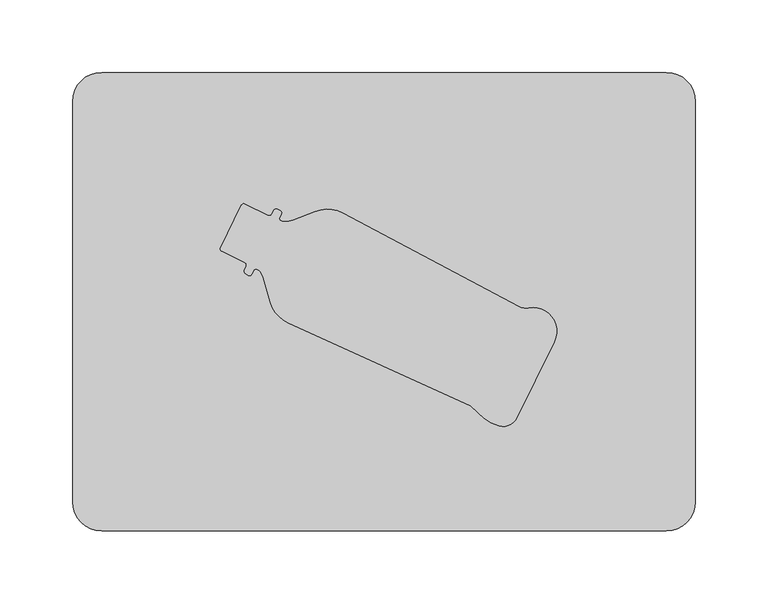
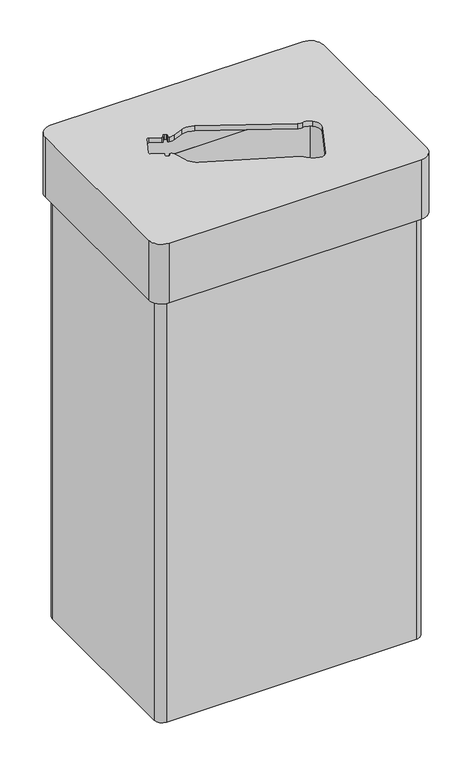
"""IFC4 building model written with IfcOpenShell, lengths in millimetres: furniture geometry."""

import ifcopenshell
import ifcopenshell.guid

model = None  # the IFC model being written
_history = None  # IfcOwnerHistory: only IFC2X3 demands one
_inside = {}  # id of a spatial element -> (the spatial element, [elements in it])
_under = {}  # id of a project, library or spatial element -> (it, [spatial elements below it])
_declared = {}  # id of a project -> (the project, [libraries it declares])
_typed = {}  # id of a type object -> (the type object, [elements of that type])
_made_of = {}  # id of a material, layer set ... -> (it, [elements and type objects made of it])


def new_model(schema):
    """Start an empty IFC model of exactly this schema.

    Asked for "IFC4X3", IfcOpenShell would pick the latest addendum, in which some entities
    have other attributes; the version numbers below select the first issue.
    IFC2X3 requires an IfcOwnerHistory on every rooted entity: one is made here for all.
    """
    global model, _history
    if schema == "IFC4X3":
        model = ifcopenshell.file(schema_version=(4, 3, 0, 0))
    else:
        model = ifcopenshell.file(schema=schema)
    _inside.clear()
    _under.clear()
    _declared.clear()
    _typed.clear()
    _made_of.clear()
    _history = None
    if model.schema == "IFC2X3":
        org = make("IfcOrganization", Name="unknown")
        user = make(
            "IfcPersonAndOrganization",
            ThePerson=make("IfcPerson", FamilyName="unknown"),
            TheOrganization=org,
        )
        app = make(
            "IfcApplication",
            ApplicationDeveloper=org,
            Version="unknown",
            ApplicationFullName="unknown",
            ApplicationIdentifier="unknown",
        )
        _history = make(
            "IfcOwnerHistory",
            OwningUser=user,
            OwningApplication=app,
            ChangeAction="ADDED",
            CreationDate=0,
        )
    return model


def make(cls, **values):
    """One entity of the class cls with the attributes given. An attribute that is None is left unset."""
    return model.create_entity(
        cls, **{name: value for name, value in values.items() if value is not None}
    )


def rooted(cls, **values):
    """An entity with a GlobalId (a new one), such as an element, a storey or a relation."""
    return make(cls, GlobalId=ifcopenshell.guid.new(), OwnerHistory=_history, **values)


def si_unit(unit_type, name, prefix=None):
    """IfcSIUnit, for example si_unit("LENGTHUNIT", "METRE", prefix="MILLI")."""
    return make("IfcSIUnit", UnitType=unit_type, Prefix=prefix, Name=name)


def assignment(units):
    """IfcUnitAssignment: the units of a project."""
    return None if units is None else make("IfcUnitAssignment", Units=units)


def point(xyz):
    """IfcCartesianPoint."""
    return None if xyz is None else make("IfcCartesianPoint", Coordinates=xyz)


def direction(xyz):
    """IfcDirection."""
    return None if xyz is None else make("IfcDirection", DirectionRatios=xyz)


def frame(location, z_axis=None, x_axis=None):
    """IfcAxis2Placement3D, a coordinate frame: its origin and axes. An axis left out is left unset."""
    return make(
        "IfcAxis2Placement3D",
        Location=point(location),
        Axis=direction(z_axis),
        RefDirection=direction(x_axis),
    )


def origin():
    """The frame at (0, 0, 0) with its axes left unset."""
    return frame((0.0, 0.0, 0.0))


def place(relative_to, where):
    """IfcLocalPlacement: puts the frame where relative to a parent placement (None: the world)."""
    return make(
        "IfcLocalPlacement", PlacementRelTo=relative_to, RelativePlacement=where
    )


def context(
    kind, dimensions, precision=None, world=None, true_north=None, identifier=None
):
    """IfcGeometricRepresentationContext, for example the 3D "Model" context."""
    return make(
        "IfcGeometricRepresentationContext",
        ContextIdentifier=identifier,
        ContextType=kind,
        CoordinateSpaceDimension=dimensions,
        Precision=precision,
        WorldCoordinateSystem=world,
        TrueNorth=true_north,
    )


def project(units=None, contexts=None):
    """IfcProject with its units and contexts."""
    return rooted(
        "IfcProject",
        Name="project",
        RepresentationContexts=contexts,
        UnitsInContext=assignment(units),
    )


def spatial(cls, under=None, at=None, **own):
    """A site, building, storey or space (cls), placed at a placement, below another one or the project."""
    s = rooted(cls, ObjectPlacement=at, **own)
    if under is not None:
        _under.setdefault(under.id(), (under, []))[1].append(s)
    return s


def polyline(points):
    """IfcPolyline through the points."""
    return make("IfcPolyline", Points=[point(p) for p in points])


def circle_curve(where, radius):
    """IfcCircle in the frame where."""
    return make("IfcCircle", Position=where, Radius=radius)


def shape(context_of_items, identifier, shape_type, items):
    """IfcShapeRepresentation: the items that make up one representation, for example the "Body"."""
    return make(
        "IfcShapeRepresentation",
        ContextOfItems=context_of_items,
        RepresentationIdentifier=identifier,
        RepresentationType=shape_type,
        Items=items,
    )


def source(mapping_origin, context_of_items, identifier, shape_type, items):
    """IfcRepresentationMap: a shape defined once, which mapped items show again and again."""
    return make(
        "IfcRepresentationMap",
        MappingOrigin=mapping_origin,
        MappedRepresentation=shape(context_of_items, identifier, shape_type, items),
    )


def transform(
    local_origin,
    x_axis=None,
    y_axis=None,
    z_axis=None,
    scale=None,
    scale2=None,
    scale3=None,
    uniform=True,
):
    """IfcCartesianTransformationOperator3D, or its non-uniform kind. x_axis, y_axis, z_axis: its Axis1, 2, 3."""
    if uniform:
        return make(
            "IfcCartesianTransformationOperator3D",
            Axis1=direction(x_axis),
            Axis2=direction(y_axis),
            LocalOrigin=point(local_origin),
            Scale=scale,
            Axis3=direction(z_axis),
        )
    return make(
        "IfcCartesianTransformationOperator3DnonUniform",
        Axis1=direction(x_axis),
        Axis2=direction(y_axis),
        LocalOrigin=point(local_origin),
        Scale=scale,
        Axis3=direction(z_axis),
        Scale2=scale2,
        Scale3=scale3,
    )


def mapped(mapping_source, mapping_target):
    """IfcMappedItem: shows the shape of a source again, moved by a transform."""
    return make(
        "IfcMappedItem", MappingSource=mapping_source, MappingTarget=mapping_target
    )


def made_of(thing, what):
    """Note that an element or type object is made of a material, layer set ...; save() writes the relation."""
    if what is not None:
        _made_of.setdefault(what.id(), (what, []))[1].append(thing)
    return thing


def element(
    cls,
    number,
    at=None,
    inside=None,
    cuts=None,
    type_object=None,
    material=None,
    context=None,
    identifier="Body",
    shape_type=None,
    held_by="IfcProductDefinitionShape",
    body=None,
    shapes=None,
    **own,
):
    """One element of the class cls, such as IfcWall. Its Tag is "e" and its number.

    at: its placement. inside: the storey or other place that contains it. cuts: it is an
    opening in that element (IfcRelVoidsElement). A single representation is given by context,
    identifier, shape_type and body (its items); several are given by shapes. held_by: the class
    of the entity that holds the representations. save() writes the other relations.
    """
    e = rooted(cls, Tag="e%d" % number, ObjectPlacement=at, **own)
    if body is not None:
        shapes = [shape(context, identifier, shape_type, body)]
    if shapes is not None:
        e.Representation = make(held_by, Representations=shapes)
    if inside is not None:
        _inside.setdefault(inside.id(), (inside, []))[1].append(e)
    if cuts is not None:
        rooted(
            "IfcRelVoidsElement", RelatingBuildingElement=cuts, RelatedOpeningElement=e
        )
    if type_object is not None:
        _typed.setdefault(type_object.id(), (type_object, []))[1].append(e)
    return made_of(e, material)


def aggregate(whole, parts):
    """IfcRelAggregates: a whole, such as a stair, and the parts it consists of."""
    return rooted("IfcRelAggregates", RelatingObject=whole, RelatedObjects=parts)


def save(model, path):
    """Write the relations noted so far, then the file.

    IfcRelAggregates (storeys below a building ...), IfcRelContainedInSpatialStructure (elements
    in a storey), IfcRelDefinesByType, IfcRelAssociatesMaterial and IfcRelDeclares: one each for
    every whole, place, type object, material and project.
    """
    for whole, parts in _under.values():
        aggregate(whole, parts)
    for where, things in _inside.values():
        rooted(
            "IfcRelContainedInSpatialStructure",
            RelatedElements=things,
            RelatingStructure=where,
        )
    for kind, things in _typed.values():
        rooted("IfcRelDefinesByType", RelatedObjects=things, RelatingType=kind)
    for what, things in _made_of.values():
        rooted("IfcRelAssociatesMaterial", RelatedObjects=things, RelatingMaterial=what)
    for by, libraries in _declared.values():
        rooted("IfcRelDeclares", RelatingContext=by, RelatedDefinitions=libraries)
    model.write(path)


def plane_surface(at):
    """IfcPlane: the flat surface through the origin of the frame at, square to its z axis."""
    return make("IfcPlane", Position=at)


def cylinder_surface(at, radius):
    """IfcCylindricalSurface: all points at the distance radius from the z axis of the frame at."""
    return make("IfcCylindricalSurface", Position=at, Radius=radius)


def revolved_surface(curve, axis_point, axis_direction):
    """IfcSurfaceOfRevolution: the curve turned about the line through axis_point along axis_direction."""
    return make(
        "IfcSurfaceOfRevolution",
        SweptCurve=make("IfcArbitraryOpenProfileDef", ProfileType="CURVE", Curve=curve),
        AxisPosition=make("IfcAxis1Placement", Location=point(axis_point), Axis=direction(axis_direction)),
    )


def advanced_brep(points, edges, surfaces, faces):
    """IfcAdvancedBrep: a solid bounded by faces that lie on surfaces and meet in shared edges.

    An edge is (start, end): straight between two places in points (the first is 0);
    or (start, end, curve); or (start, end, curve, False) where it runs against its curve.
    A face is (place in surfaces, loops), or (place, loops, False) where it looks against
    its surface's normal. A loop lists edges by number (the first is 1), with a minus sign
    where the edge is run from its end to its start. The first loop is the outer one.
    """
    corners = [point(p) for p in points]
    vertices = [make("IfcVertexPoint", VertexGeometry=c) for c in corners]
    made = []
    for start, end, *more in edges:
        made.append(
            make(
                "IfcEdgeCurve",
                EdgeStart=vertices[start],
                EdgeEnd=vertices[end],
                EdgeGeometry=more[0] if more else make("IfcPolyline", Points=[corners[start], corners[end]]),
                SameSense=more[1] if len(more) > 1 else True,
            )
        )
    hull = []
    for where, loops, *sense in faces:
        bounds = []
        for j, loop in enumerate(loops):
            ring = [make("IfcOrientedEdge", EdgeElement=made[abs(k) - 1], Orientation=k > 0) for k in loop]
            bounds.append(
                make(
                    "IfcFaceOuterBound" if j == 0 else "IfcFaceBound",
                    Bound=make("IfcEdgeLoop", EdgeList=ring),
                    Orientation=True,
                )
            )
        hull.append(make("IfcAdvancedFace", Bounds=bounds, FaceSurface=surfaces[where], SameSense=sense[0] if sense else True))
    return make("IfcAdvancedBrep", Outer=make("IfcClosedShell", CfsFaces=hull))


def furniture_c6f2f1a7(model_context):
    return source(origin(), model_context, "Body", "AdvancedBrep", [
        advanced_brep(
        [(192.5, 148.0, 689.0), (-192.5, 148.0, 689.0), (-204.5, 136.0, 689.0), (-204.5, -136.0, 689.0), (-192.5, -148.0, 689.0), (192.5, -148.0, 689.0), (204.5, -136.0, 689.0), (204.5, 136.0, 689.0), (194.5, 138.0, 689.0), (194.5, -138.0, 689.0), (-194.5, -138.0, 689.0), (-194.5, 138.0, 689.0), (192.5, 148.0, 0.0), (204.5, 136.0, 0.0), (204.5, -136.0, 0.0), (192.5, -148.0, 0.0), (-192.5, -148.0, 0.0), (-204.5, -136.0, 0.0), (-204.5, 136.0, 0.0), (-192.5, 148.0, 0.0), (194.5, 138.0, 8.0), (194.5, -138.0, 8.0), (-194.5, -138.0, 8.0), (-194.5, 138.0, 8.0)],
        [
            (0, 1),
            (1, 2, circle_curve(frame((-192.5, 136.0, 689.0), z_axis=(0.0, 0.0, 1.0), x_axis=(1.0, 0.0, 0.0)), 12.0)),
            (2, 3),
            (3, 4, circle_curve(frame((-192.5, -136.0, 689.0), z_axis=(0.0, 0.0, 1.0), x_axis=(1.0, 0.0, 0.0)), 12.0)),
            (4, 5),
            (5, 6, circle_curve(frame((192.5, -136.0, 689.0), z_axis=(0.0, 0.0, 1.0), x_axis=(1.0, 0.0, 0.0)), 12.0)),
            (6, 7),
            (7, 0, circle_curve(frame((192.5, 136.0, 689.0), z_axis=(0.0, 0.0, 1.0), x_axis=(1.0, 0.0, 0.0)), 12.0)),
            (8, 9),
            (9, 10),
            (10, 11),
            (11, 8),
            (12, 13, circle_curve(frame((192.5, 136.0, 0.0), z_axis=(0.0, 0.0, -1.0), x_axis=(1.0, 0.0, 0.0)), 12.0)),
            (13, 14),
            (14, 15, circle_curve(frame((192.5, -136.0, 0.0), z_axis=(0.0, 0.0, -1.0), x_axis=(1.0, 0.0, 0.0)), 12.0)),
            (15, 16),
            (16, 17, circle_curve(frame((-192.5, -136.0, 0.0), z_axis=(0.0, 0.0, -1.0), x_axis=(1.0, 0.0, 0.0)), 12.0)),
            (17, 18),
            (18, 19, circle_curve(frame((-192.5, 136.0, 0.0), z_axis=(0.0, 0.0, -1.0), x_axis=(1.0, 0.0, 0.0)), 12.0)),
            (19, 12),
            (8, 20),
            (20, 21),
            (21, 9),
            (21, 22),
            (22, 10),
            (22, 23),
            (23, 11),
            (23, 20),
            (0, 12),
            (19, 1),
            (18, 2),
            (17, 3),
            (16, 4),
            (15, 5),
            (14, 6),
            (13, 7),
        ],
        [
            plane_surface(frame((194.5, 138.0, 689.0), z_axis=(0.0, 0.0, 1.0), x_axis=(0.0, -1.0, 0.0))),
            plane_surface(frame((194.5, 138.0, 0.0), z_axis=(0.0, 0.0, -1.0), x_axis=(0.0, 1.0, 0.0))),
            plane_surface(frame((194.5, 138.0, 689.0), z_axis=(-1.0, 0.0, 0.0), x_axis=(0.0, 0.0, -1.0))),
            plane_surface(frame((194.5, -138.0, 689.0), z_axis=(0.0, 1.0, 0.0), x_axis=(0.0, 0.0, -1.0))),
            plane_surface(frame((-194.5, -138.0, 689.0), z_axis=(1.0, 0.0, 0.0), x_axis=(0.0, 0.0, -1.0))),
            plane_surface(frame((-194.5, 138.0, 689.0), z_axis=(0.0, -1.0, 0.0), x_axis=(0.0, 0.0, -1.0))),
            plane_surface(frame((192.5, 148.0, 689.0), z_axis=(0.0, 1.0, 0.0), x_axis=(0.0, 0.0, -1.0))),
            cylinder_surface(frame((-192.5, 136.0, 0.0), z_axis=(0.0, 0.0, 1.0), x_axis=(1.0, 0.0, 0.0)), 12.0),
            plane_surface(frame((-204.5, 136.0, 689.0), z_axis=(-1.0, 0.0, 0.0), x_axis=(0.0, 0.0, -1.0))),
            cylinder_surface(frame((-192.5, -136.0, 0.0), z_axis=(0.0, 0.0, 1.0), x_axis=(1.0, 0.0, 0.0)), 12.0),
            plane_surface(frame((-192.5, -148.0, 689.0), z_axis=(0.0, -1.0, 0.0), x_axis=(0.0, 0.0, -1.0))),
            cylinder_surface(frame((192.5, -136.0, 0.0), z_axis=(0.0, 0.0, 1.0), x_axis=(1.0, 0.0, 0.0)), 12.0),
            plane_surface(frame((204.5, -136.0, 689.0), z_axis=(1.0, 0.0, 0.0), x_axis=(0.0, 0.0, -1.0))),
            cylinder_surface(frame((192.5, 136.0, 0.0), z_axis=(0.0, 0.0, 1.0), x_axis=(1.0, 0.0, 0.0)), 12.0),
            plane_surface(frame((-194.5, 138.0, 8.0), z_axis=(0.0, 0.0, 1.0), x_axis=(-1.0, 0.0, 0.0))),
        ],
        [
            (0, [[1, 2, 3, 4, 5, 6, 7, 8], [9, 10, 11, 12]]),
            (1, [[13, 14, 15, 16, 17, 18, 19, 20]]),
            (2, [[-9, 21, 22, 23]]),
            (3, [[-10, -23, 24, 25]]),
            (4, [[-11, -25, 26, 27]]),
            (5, [[-12, -27, 28, -21]]),
            (6, [[-1, 29, -20, 30]]),
            (7, [[-2, -30, -19, 31]]),
            (8, [[-3, -31, -18, 32]]),
            (9, [[-4, -32, -17, 33]]),
            (10, [[-5, -33, -16, 34]]),
            (11, [[-6, -34, -15, 35]]),
            (12, [[-7, -35, -14, 36]]),
            (13, [[-8, -36, -13, -29]]),
            (14, [[-22, -28, -26, -24]]),
        ],
    ),
        advanced_brep(
        [(194.5, 158.0, 786.0), (-194.5, 158.0, 786.0), (-214.5, 138.0, 786.0), (-214.5, -138.0, 786.0), (-194.5, -158.0, 786.0), (194.5, -158.0, 786.0), (214.5, -138.0, 786.0), (214.5, 138.0, 786.0), (59.5843107, -71.6563973, 786.0), (-65.8931473, -14.6079938, 786.0), (-78.2521723, -0.2895037, 786.0), (-83.1803377, 16.6169973, 786.0), (-87.0044495, 22.1215762, 786.0), (-89.8301065, 21.5731394, 786.0), (-91.1059775, 18.9830206, 786.0), (-93.8036148, 18.3302183, 786.0), (-95.4113824, 19.5228809, 786.0), (-96.2339096, 21.9424259, 786.0), (-94.9243949, 24.6008441, 786.0), (-95.7469221, 27.020389, 786.0), (-111.7313977, 34.8942089, 786.0), (-112.5539249, 37.3137539, 786.0), (-98.1807647, 66.4924032, 786.0), (-95.7612197, 67.3149304, 786.0), (-79.776744, 59.4411105, 786.0), (-77.3571991, 60.2636377, 786.0), (-76.0476844, 62.9220559, 786.0), (-73.6281394, 63.744583, 786.0), (-71.5704661, 62.7309902, 786.0), (-70.7479389, 60.3114453, 786.0), (-71.8519965, 58.0701212, 786.0), (-70.5646552, 55.4956556, 786.0), (-62.5959675, 56.2532835, 786.0), (-47.4626798, 62.2155953, 786.0), (-28.5783978, 61.1438919, 786.0), (92.6808897, -3.330815, 786.0), (99.7648604, -4.4150109, 786.0), (113.5191292, -8.209037, 786.0), (117.3449783, -27.5875375, 786.0), (91.5026253, -80.049553, 786.0), (79.4158996, -85.5472068, 786.0), (64.8157204, -76.6560157, 786.0), (194.5, 138.0, 778.0), (194.5, -138.0, 778.0), (-194.5, -138.0, 778.0), (-194.5, 138.0, 778.0), (59.5843107, -71.6563973, 778.0), (64.8157204, -76.6560157, 778.0), (79.4158996, -85.5472068, 778.0), (91.5026253, -80.049553, 778.0), (117.3449783, -27.5875375, 778.0), (113.5191292, -8.209037, 778.0), (99.7648604, -4.4150109, 778.0), (92.6808897, -3.330815, 778.0), (-28.5783978, 61.1438919, 778.0), (-47.4626798, 62.2155953, 778.0), (-62.5959675, 56.2532835, 778.0), (-70.5646552, 55.4956556, 778.0), (-71.8519965, 58.0701212, 778.0), (-70.7479389, 60.3114453, 778.0), (-71.5704661, 62.7309902, 778.0), (-73.6281394, 63.744583, 778.0), (-76.0476844, 62.9220559, 778.0), (-77.3571991, 60.2636377, 778.0), (-79.776744, 59.4411105, 778.0), (-95.7612197, 67.3149304, 778.0), (-98.1807647, 66.4924032, 778.0), (-112.5539249, 37.3137539, 778.0), (-111.7313977, 34.8942089, 778.0), (-95.7469221, 27.020389, 778.0), (-94.9243949, 24.6008441, 778.0), (-96.2339096, 21.9424259, 778.0), (-95.4113824, 19.5228809, 778.0), (-93.8036148, 18.3302183, 778.0), (-91.1059775, 18.9830206, 778.0), (-89.8301065, 21.5731394, 778.0), (-87.0044495, 22.1215762, 778.0), (-83.1803377, 16.6169973, 778.0), (-78.2521723, -0.2895037, 778.0), (-65.8931473, -14.6079938, 778.0), (194.5, 158.0, 689.0), (214.5, 138.0, 689.0), (214.5, -138.0, 689.0), (194.5, -158.0, 689.0), (-194.5, -158.0, 689.0), (-214.5, -138.0, 689.0), (-214.5, 138.0, 689.0), (-194.5, 158.0, 689.0), (194.5, 138.0, 689.0), (-194.5, 138.0, 689.0), (-194.5, -138.0, 689.0), (194.5, -138.0, 689.0)],
        [
            (0, 1),
            (1, 2, circle_curve(frame((-194.5, 138.0, 786.0), z_axis=(0.0, 0.0, 1.0), x_axis=(1.0, 0.0, 0.0)), 20.0)),
            (2, 3),
            (3, 4, circle_curve(frame((-194.5, -138.0, 786.0), z_axis=(0.0, 0.0, 1.0), x_axis=(1.0, 0.0, 0.0)), 20.0)),
            (4, 5),
            (5, 6, circle_curve(frame((194.5, -138.0, 786.0), z_axis=(0.0, 0.0, 1.0), x_axis=(1.0, 0.0, 0.0)), 20.0)),
            (6, 7),
            (7, 0, circle_curve(frame((194.5, 138.0, 786.0), z_axis=(0.0, 0.0, 1.0), x_axis=(1.0, 0.0, 0.0)), 20.0)),
            (8, 9),
            (9, 10, circle_curve(frame((-56.5444017, 5.9544893, 786.0), z_axis=(0.0, 0.0, -1.0), x_axis=(1.0, 0.0, 0.0)), 22.5879338)),
            (10, 11),
            (11, 12, circle_curve(frame((-93.398379, 13.5989968, 786.0), z_axis=(0.0, 0.0, 1.0), x_axis=(1.0, 0.0, 0.0)), 10.6544214)),
            (12, 13, circle_curve(frame((-88.1691769, 20.5690908, 786.0), z_axis=(0.0, 0.0, 1.0), x_axis=(1.0, 0.0, 0.0)), 1.9408247)),
            (13, 14),
            (14, 15, circle_curve(frame((-92.7270136, 19.7815295, 786.0), z_axis=(0.0, 0.0, -1.0), x_axis=(1.0, 0.0, 0.0)), 1.8070347)),
            (15, 16),
            (16, 17, circle_curve(frame((-94.0726412, 21.3275696, 786.0), z_axis=(0.0, 0.0, -1.0), x_axis=(1.0, 0.0, 0.0)), 2.2470268)),
            (17, 18),
            (18, 19, circle_curve(frame((-96.545431, 25.399353, 786.0), z_axis=(0.0, 0.0, 1.0), x_axis=(1.0, 0.0, 0.0)), 1.8070347)),
            (19, 20),
            (20, 21, circle_curve(frame((-110.9328888, 36.515245, 786.0), z_axis=(0.0, 0.0, -1.0), x_axis=(1.0, 0.0, 0.0)), 1.8070347)),
            (21, 22),
            (22, 23, circle_curve(frame((-96.5597286, 65.6938943, 786.0), z_axis=(0.0, 0.0, -1.0), x_axis=(1.0, 0.0, 0.0)), 1.8070347)),
            (23, 24),
            (24, 25, circle_curve(frame((-78.9782351, 61.0621466, 786.0), z_axis=(0.0, 0.0, 1.0), x_axis=(1.0, 0.0, 0.0)), 1.8070347)),
            (25, 26),
            (26, 27, circle_curve(frame((-74.4266483, 62.1235469, 786.0), z_axis=(0.0, 0.0, -1.0), x_axis=(1.0, 0.0, 0.0)), 1.8070347)),
            (27, 28),
            (28, 29, circle_curve(frame((-72.368975, 61.1099542, 786.0), z_axis=(0.0, 0.0, -1.0), x_axis=(1.0, 0.0, 0.0)), 1.8070347)),
            (29, 30),
            (30, 31, circle_curve(frame((-70.2309604, 57.2716123, 786.0), z_axis=(0.0, 0.0, 1.0), x_axis=(1.0, 0.0, 0.0)), 1.8070347)),
            (31, 32, circle_curve(frame((-67.8950968, 69.7033092, 786.0), z_axis=(0.0, 0.0, 1.0), x_axis=(1.0, 0.0, 0.0)), 14.4562776)),
            (32, 33),
            (33, 34, circle_curve(frame((-39.1827904, 41.1999301, 786.0), z_axis=(0.0, 0.0, -1.0), x_axis=(1.0, 0.0, 0.0)), 22.5879338)),
            (34, 35),
            (35, 36, circle_curve(frame((97.7709982, 6.2422867, 786.0), z_axis=(0.0, 0.0, 1.0), x_axis=(1.0, 0.0, 0.0)), 10.8422082)),
            (36, 37, circle_curve(frame((102.7556536, -20.4009574, 786.0), z_axis=(0.0, 0.0, -1.0), x_axis=(1.0, 0.0, 0.0)), 16.2633123)),
            (37, 38, circle_curve(frame((102.7556536, -20.4009574, 786.0), z_axis=(0.0, 0.0, -1.0), x_axis=(1.0, 0.0, 0.0)), 16.2633123)),
            (38, 39),
            (39, 40, circle_curve(frame((82.0352719, -75.2706533, 786.0), z_axis=(0.0, 0.0, -1.0), x_axis=(1.0, 0.0, 0.0)), 10.6051244)),
            (40, 41, circle_curve(frame((86.6195994, -57.2850133, 786.0), z_axis=(0.0, 0.0, -1.0), x_axis=(1.0, 0.0, 0.0)), 29.1658169)),
            (41, 8, circle_curve(frame((31.6593098, -106.1128343, 786.0), z_axis=(0.0, 0.0, 1.0), x_axis=(1.0, 0.0, 0.0)), 44.3514569)),
            (42, 43),
            (43, 44),
            (44, 45),
            (45, 42),
            (46, 47, circle_curve(frame((31.6593098, -106.1128343, 778.0), z_axis=(0.0, 0.0, -1.0), x_axis=(1.0, 0.0, 0.0)), 44.3514569)),
            (47, 48, circle_curve(frame((86.6195994, -57.2850133, 778.0), z_axis=(0.0, 0.0, 1.0), x_axis=(1.0, 0.0, 0.0)), 29.1658169)),
            (48, 49, circle_curve(frame((82.0352719, -75.2706533, 778.0), z_axis=(0.0, 0.0, 1.0), x_axis=(1.0, 0.0, 0.0)), 10.6051244)),
            (49, 50),
            (50, 51, circle_curve(frame((102.7556536, -20.4009574, 778.0), z_axis=(0.0, 0.0, 1.0), x_axis=(1.0, 0.0, 0.0)), 16.2633123)),
            (51, 52, circle_curve(frame((102.7556536, -20.4009574, 778.0), z_axis=(0.0, 0.0, 1.0), x_axis=(1.0, 0.0, 0.0)), 16.2633123)),
            (52, 53, circle_curve(frame((97.7709982, 6.2422867, 778.0), z_axis=(0.0, 0.0, -1.0), x_axis=(1.0, 0.0, 0.0)), 10.8422082)),
            (53, 54),
            (54, 55, circle_curve(frame((-39.1827904, 41.1999301, 778.0), z_axis=(0.0, 0.0, 1.0), x_axis=(1.0, 0.0, 0.0)), 22.5879338)),
            (55, 56),
            (56, 57, circle_curve(frame((-67.8950968, 69.7033092, 778.0), z_axis=(0.0, 0.0, -1.0), x_axis=(1.0, 0.0, 0.0)), 14.4562776)),
            (57, 58, circle_curve(frame((-70.2309604, 57.2716123, 778.0), z_axis=(0.0, 0.0, -1.0), x_axis=(1.0, 0.0, 0.0)), 1.8070347)),
            (58, 59),
            (59, 60, circle_curve(frame((-72.368975, 61.1099542, 778.0), z_axis=(0.0, 0.0, 1.0), x_axis=(1.0, 0.0, 0.0)), 1.8070347)),
            (60, 61),
            (61, 62, circle_curve(frame((-74.4266483, 62.1235469, 778.0), z_axis=(0.0, 0.0, 1.0), x_axis=(1.0, 0.0, 0.0)), 1.8070347)),
            (62, 63),
            (63, 64, circle_curve(frame((-78.9782351, 61.0621466, 778.0), z_axis=(0.0, 0.0, -1.0), x_axis=(1.0, 0.0, 0.0)), 1.8070347)),
            (64, 65),
            (65, 66, circle_curve(frame((-96.5597286, 65.6938943, 778.0), z_axis=(0.0, 0.0, 1.0), x_axis=(1.0, 0.0, 0.0)), 1.8070347)),
            (66, 67),
            (67, 68, circle_curve(frame((-110.9328888, 36.515245, 778.0), z_axis=(0.0, 0.0, 1.0), x_axis=(1.0, 0.0, 0.0)), 1.8070347)),
            (68, 69),
            (69, 70, circle_curve(frame((-96.545431, 25.399353, 778.0), z_axis=(0.0, 0.0, -1.0), x_axis=(1.0, 0.0, 0.0)), 1.8070347)),
            (70, 71),
            (71, 72, circle_curve(frame((-94.0726412, 21.3275696, 778.0), z_axis=(0.0, 0.0, 1.0), x_axis=(1.0, 0.0, 0.0)), 2.2470268)),
            (72, 73),
            (73, 74, circle_curve(frame((-92.7270136, 19.7815295, 778.0), z_axis=(0.0, 0.0, 1.0), x_axis=(1.0, 0.0, 0.0)), 1.8070347)),
            (74, 75),
            (75, 76, circle_curve(frame((-88.1691769, 20.5690908, 778.0), z_axis=(0.0, 0.0, -1.0), x_axis=(1.0, 0.0, 0.0)), 1.9408247)),
            (76, 77, circle_curve(frame((-93.398379, 13.5989968, 778.0), z_axis=(0.0, 0.0, -1.0), x_axis=(1.0, 0.0, 0.0)), 10.6544214)),
            (77, 78),
            (78, 79, circle_curve(frame((-56.5444017, 5.9544893, 778.0), z_axis=(0.0, 0.0, 1.0), x_axis=(1.0, 0.0, 0.0)), 22.5879338)),
            (79, 46),
            (80, 81, circle_curve(frame((194.5, 138.0, 689.0), z_axis=(0.0, 0.0, -1.0), x_axis=(1.0, 0.0, 0.0)), 20.0)),
            (81, 82),
            (82, 83, circle_curve(frame((194.5, -138.0, 689.0), z_axis=(0.0, 0.0, -1.0), x_axis=(1.0, 0.0, 0.0)), 20.0)),
            (83, 84),
            (84, 85, circle_curve(frame((-194.5, -138.0, 689.0), z_axis=(0.0, 0.0, -1.0), x_axis=(1.0, 0.0, 0.0)), 20.0)),
            (85, 86),
            (86, 87, circle_curve(frame((-194.5, 138.0, 689.0), z_axis=(0.0, 0.0, -1.0), x_axis=(1.0, 0.0, 0.0)), 20.0)),
            (87, 80),
            (88, 89),
            (89, 90),
            (90, 91),
            (91, 88),
            (0, 80),
            (87, 1),
            (86, 2),
            (85, 3),
            (84, 4),
            (83, 5),
            (82, 6),
            (81, 7),
            (91, 43),
            (42, 88),
            (90, 44),
            (89, 45),
            (8, 46),
            (79, 9),
            (78, 10),
            (77, 11),
            (76, 12),
            (75, 13),
            (74, 14),
            (73, 15),
            (72, 16),
            (71, 17),
            (70, 18),
            (69, 19),
            (68, 20),
            (67, 21),
            (66, 22),
            (65, 23),
            (64, 24),
            (63, 25),
            (62, 26),
            (61, 27),
            (60, 28),
            (59, 29),
            (58, 30),
            (57, 31),
            (56, 32),
            (55, 33),
            (54, 34),
            (53, 35),
            (52, 36),
            (51, 37),
            (50, 38),
            (49, 39),
            (48, 40),
            (47, 41),
        ],
        [
            plane_surface(frame((-194.5, 138.0, 786.0), z_axis=(0.0, 0.0, 1.0), x_axis=(-1.0, 0.0, 0.0))),
            plane_surface(frame((-194.5, 138.0, 778.0), z_axis=(0.0, 0.0, -1.0), x_axis=(1.0, 0.0, 0.0))),
            plane_surface(frame((-194.5, 158.0, 689.0), z_axis=(0.0, 0.0, -1.0), x_axis=(1.0, 0.0, 0.0))),
            plane_surface(frame((194.5, 158.0, 786.0), z_axis=(0.0, 1.0, 0.0), x_axis=(0.0, 0.0, -1.0))),
            cylinder_surface(frame((-194.5, 138.0, 689.0), z_axis=(0.0, 0.0, 1.0), x_axis=(1.0, 0.0, 0.0)), 20.0),
            plane_surface(frame((-214.5, 138.0, 786.0), z_axis=(-1.0, 0.0, 0.0), x_axis=(0.0, 0.0, -1.0))),
            cylinder_surface(frame((-194.5, -138.0, 689.0), z_axis=(0.0, 0.0, 1.0), x_axis=(1.0, 0.0, 0.0)), 20.0),
            plane_surface(frame((-194.5, -158.0, 786.0), z_axis=(0.0, -1.0, 0.0), x_axis=(0.0, 0.0, -1.0))),
            cylinder_surface(frame((194.5, -138.0, 689.0), z_axis=(0.0, 0.0, 1.0), x_axis=(1.0, 0.0, 0.0)), 20.0),
            plane_surface(frame((214.5, -138.0, 786.0), z_axis=(1.0, 0.0, 0.0), x_axis=(0.0, 0.0, -1.0))),
            cylinder_surface(frame((194.5, 138.0, 689.0), z_axis=(0.0, 0.0, 1.0), x_axis=(1.0, 0.0, 0.0)), 20.0),
            plane_surface(frame((194.5, 138.0, 786.0), z_axis=(-1.0, 0.0, 0.0), x_axis=(0.0, 0.0, -1.0))),
            plane_surface(frame((194.5, -138.0, 786.0), z_axis=(0.0, 1.0, 0.0), x_axis=(0.0, 0.0, -1.0))),
            plane_surface(frame((-194.5, -138.0, 786.0), z_axis=(1.0, 0.0, 0.0), x_axis=(0.0, 0.0, -1.0))),
            plane_surface(frame((-194.5, 138.0, 786.0), z_axis=(0.0, -1.0, 0.0), x_axis=(0.0, 0.0, -1.0))),
            plane_surface(frame((59.5843107, -71.6563973, 786.0), z_axis=(0.4138822819471082, 0.9103304107247294, 0.0), x_axis=(0.0, 0.0, -1.0))),
            revolved_surface(polyline([(-33.95646790000001, 5.9544893, 778.0), (-33.95646790000001, 5.9544893, 786.0)]), (-56.5444017, 5.9544893, 786.0), (0.0, 0.0, -1.0)),
            plane_surface(frame((-78.2521723, -0.2895037, 786.0), z_axis=(0.9600442129377379, 0.2798483682367283, 0.0), x_axis=(0.0, 0.0, -1.0))),
            cylinder_surface(frame((-93.398379, 13.5989968, 786.0), z_axis=(0.0, 0.0, 1.0), x_axis=(1.0, 0.0, 0.0)), 10.6544214),
            cylinder_surface(frame((-88.1691769, 20.5690908, 786.0), z_axis=(0.0, 0.0, 1.0), x_axis=(1.0, 0.0, 0.0)), 1.9408247),
            plane_surface(frame((-89.8301065, 21.5731394, 786.0), z_axis=(-0.8970696971642269, 0.4418890793283789, 0.0), x_axis=(0.0, 0.0, -1.0))),
            revolved_surface(polyline([(-90.9199789, 19.7815295, 778.0), (-90.9199789, 19.7815295, 786.0)]), (-92.7270136, 19.7815295, 786.0), (0.0, 0.0, -1.0)),
            plane_surface(frame((-93.8036148, 18.3302183, 786.0), z_axis=(0.5957833818075587, 0.8031451686724815, 0.0), x_axis=(0.0, 0.0, -1.0))),
            revolved_surface(polyline([(-91.8256144, 21.3275696, 778.0), (-91.8256144, 21.3275696, 786.0)]), (-94.0726412, 21.3275696, 786.0), (0.0, 0.0, -1.0)),
            plane_surface(frame((-96.2339096, 21.9424259, 786.0), z_axis=(0.8970696971642791, -0.4418890793282728, 0.0), x_axis=(0.0, 0.0, -1.0))),
            cylinder_surface(frame((-96.545431, 25.399353, 786.0), z_axis=(0.0, 0.0, 1.0), x_axis=(1.0, 0.0, 0.0)), 1.8070347),
            plane_surface(frame((-95.7469221, 27.020389, 786.0), z_axis=(0.44188907932840954, 0.8970696971642118, 0.0), x_axis=(0.0, 0.0, -1.0))),
            revolved_surface(polyline([(-109.1258541, 36.515245, 778.0), (-109.1258541, 36.515245, 786.0)]), (-110.9328888, 36.515245, 786.0), (0.0, 0.0, -1.0)),
            plane_surface(frame((-112.5539249, 37.3137539, 786.0), z_axis=(0.8970696971642161, -0.44188907932840077, 0.0), x_axis=(0.0, 0.0, -1.0))),
            revolved_surface(polyline([(-94.7526939, 65.6938943, 778.0), (-94.7526939, 65.6938943, 786.0)]), (-96.5597286, 65.6938943, 786.0), (0.0, 0.0, -1.0)),
            plane_surface(frame((-95.7612197, 67.3149304, 786.0), z_axis=(-0.44188907932834004, -0.897069697164246, 0.0), x_axis=(0.0, 0.0, -1.0))),
            cylinder_surface(frame((-78.9782351, 61.0621466, 786.0), z_axis=(0.0, 0.0, 1.0), x_axis=(1.0, 0.0, 0.0)), 1.8070347),
            plane_surface(frame((-77.3571991, 60.2636377, 786.0), z_axis=(0.8970696971641466, -0.44188907932854193, 0.0), x_axis=(0.0, 0.0, -1.0))),
            revolved_surface(polyline([(-72.6196136, 62.1235469, 778.0), (-72.6196136, 62.1235469, 786.0)]), (-74.4266483, 62.1235469, 786.0), (0.0, 0.0, -1.0)),
            plane_surface(frame((-73.6281394, 63.744583, 786.0), z_axis=(-0.4418890793284627, -0.8970696971641856, 0.0), x_axis=(0.0, 0.0, -1.0))),
            revolved_surface(polyline([(-70.5619403, 61.1099542, 778.0), (-70.5619403, 61.1099542, 786.0)]), (-72.368975, 61.1099542, 786.0), (0.0, 0.0, -1.0)),
            plane_surface(frame((-70.7479389, 60.3114453, 786.0), z_axis=(-0.8970696971640728, 0.4418890793286916, 0.0), x_axis=(0.0, 0.0, -1.0))),
            cylinder_surface(frame((-70.2309604, 57.2716123, 786.0), z_axis=(0.0, 0.0, 1.0), x_axis=(1.0, 0.0, 0.0)), 1.8070347),
            cylinder_surface(frame((-67.8950968, 69.7033092, 786.0), z_axis=(0.0, 0.0, 1.0), x_axis=(1.0, 0.0, 0.0)), 14.4562776),
            plane_surface(frame((-62.5959675, 56.2532835, 786.0), z_axis=(0.36656250054193773, -0.9303934292526157, 0.0), x_axis=(0.0, 0.0, -1.0))),
            revolved_surface(polyline([(-16.594856600000004, 41.1999301, 778.0), (-16.594856600000004, 41.1999301, 786.0)]), (-39.1827904, 41.1999301, 786.0), (0.0, 0.0, -1.0)),
            plane_surface(frame((-28.5783978, 61.1438919, 786.0), z_axis=(-0.4694715627858952, -0.8829475928589247, 0.0), x_axis=(0.0, 0.0, -1.0))),
            cylinder_surface(frame((97.7709982, 6.2422867, 786.0), z_axis=(0.0, 0.0, 1.0), x_axis=(1.0, 0.0, 0.0)), 10.8422082),
            revolved_surface(polyline([(119.0189659, -20.4009574, 778.0), (119.0189659, -20.4009574, 786.0)]), (102.7556536, -20.4009574, 786.0), (0.0, 0.0, -1.0)),
            plane_surface(frame((117.3449783, -27.5875375, 786.0), z_axis=(-0.8970696971642149, 0.4418890793284034, 0.0), x_axis=(0.0, 0.0, -1.0))),
            revolved_surface(polyline([(92.64039629999999, -75.2706533, 778.0), (92.64039629999999, -75.2706533, 786.0)]), (82.0352719, -75.2706533, 786.0), (0.0, 0.0, -1.0)),
            revolved_surface(polyline([(115.7854163, -57.2850133, 778.0), (115.7854163, -57.2850133, 786.0)]), (86.6195994, -57.2850133, 786.0), (0.0, 0.0, -1.0)),
            cylinder_surface(frame((31.6593098, -106.1128343, 786.0), z_axis=(0.0, 0.0, 1.0), x_axis=(1.0, 0.0, 0.0)), 44.3514569),
        ],
        [
            (0, [[1, 2, 3, 4, 5, 6, 7, 8], [9, 10, 11, 12, 13, 14, 15, 16, 17, 18, 19, 20, 21, 22, 23, 24, 25, 26, 27, 28, 29, 30, 31, 32, 33, 34, 35, 36, 37, 38, 39, 40, 41, 42]]),
            (1, [[43, 44, 45, 46], [47, 48, 49, 50, 51, 52, 53, 54, 55, 56, 57, 58, 59, 60, 61, 62, 63, 64, 65, 66, 67, 68, 69, 70, 71, 72, 73, 74, 75, 76, 77, 78, 79, 80]]),
            (2, [[81, 82, 83, 84, 85, 86, 87, 88], [89, 90, 91, 92]]),
            (3, [[-1, 93, -88, 94]]),
            (4, [[-2, -94, -87, 95]]),
            (5, [[-3, -95, -86, 96]]),
            (6, [[-4, -96, -85, 97]]),
            (7, [[-5, -97, -84, 98]]),
            (8, [[-6, -98, -83, 99]]),
            (9, [[-7, -99, -82, 100]]),
            (10, [[-8, -100, -81, -93]]),
            (11, [[-92, 101, -43, 102]]),
            (12, [[-91, 103, -44, -101]]),
            (13, [[-90, 104, -45, -103]]),
            (14, [[-89, -102, -46, -104]]),
            (15, [[-9, 105, -80, 106]]),
            (16, [[-10, -106, -79, 107]]),
            (17, [[-11, -107, -78, 108]]),
            (18, [[-12, -108, -77, 109]]),
            (19, [[-13, -109, -76, 110]]),
            (20, [[-14, -110, -75, 111]]),
            (21, [[-15, -111, -74, 112]]),
            (22, [[-16, -112, -73, 113]]),
            (23, [[-17, -113, -72, 114]]),
            (24, [[-18, -114, -71, 115]]),
            (25, [[-19, -115, -70, 116]]),
            (26, [[-20, -116, -69, 117]]),
            (27, [[-21, -117, -68, 118]]),
            (28, [[-22, -118, -67, 119]]),
            (29, [[-23, -119, -66, 120]]),
            (30, [[-24, -120, -65, 121]]),
            (31, [[-25, -121, -64, 122]]),
            (32, [[-26, -122, -63, 123]]),
            (33, [[-27, -123, -62, 124]]),
            (34, [[-28, -124, -61, 125]]),
            (35, [[-29, -125, -60, 126]]),
            (36, [[-30, -126, -59, 127]]),
            (37, [[-31, -127, -58, 128]]),
            (38, [[-32, -128, -57, 129]]),
            (39, [[-33, -129, -56, 130]]),
            (40, [[-34, -130, -55, 131]]),
            (41, [[-35, -131, -54, 132]]),
            (42, [[-36, -132, -53, 133]]),
            (43, [[-37, -133, -52, 134]]),
            (43, [[-38, -134, -51, 135]]),
            (44, [[-39, -135, -50, 136]]),
            (45, [[-40, -136, -49, 137]]),
            (46, [[-41, -137, -48, 138]]),
            (47, [[-42, -138, -47, -105]]),
        ],
    ),
    ])


if __name__ == "__main__":
    model = new_model("IFC4")
    model_context = context("Model", 3, world=origin())
    ifc_project = project(units=[si_unit("LENGTHUNIT", "METRE", prefix="MILLI")], contexts=[model_context])
    site = spatial("IfcSite", under=ifc_project)
    building = spatial("IfcBuilding", under=site)
    placement = place(None, origin())
    furniture_shape = furniture_c6f2f1a7(model_context)
    element("IfcFurniture", 1, at=placement, inside=building, context=model_context, shape_type="MappedRepresentation", body=[
        mapped(furniture_shape, transform((0.0, 0.0, 0.0), x_axis=(1.0, 0.0, 0.0), y_axis=(0.0, 1.0, 0.0), z_axis=(0.0, 0.0, 1.0))),
    ])
    save(model, "model.ifc")
